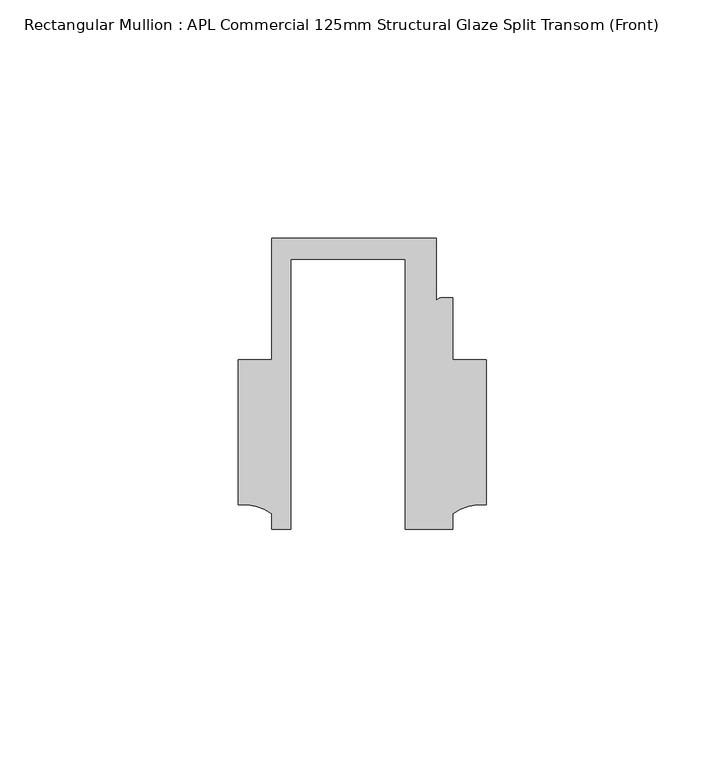
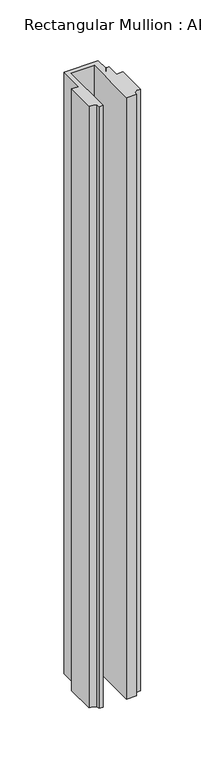
"""IFC4 building model written with IfcOpenShell, lengths in millimetres: member geometry, Rectangular Mullion : APL Commercial 125mm Structural Glaze Split Transom (Front)."""

from ifc_helpers import new_model, si_unit, point, frame, frame_2d, origin, place, context, project, spatial, polyline, circle_curve, trimmed, segment, composite_curve, outline, extrude, source, transform, mapped, element, save


def rectangular_mullion_apl_commercial_125mm_structural_glaze_6d8f510c(model_context):
    return source(origin(), model_context, "Body", "SweptSolid", [
        extrude(outline(composite_curve([segment(polyline([(-24.0309529, -20.5), (-28.0000482, -20.5), (-28.0000482, -17.3123419)]), True, "CONTINUOUS"), segment(trimmed(circle_curve(frame_2d((-34.10985, -25.7980019)), 10.4563907), [point((-28.0000482, -17.3123419))], [point((-34.9999873, -15.3795682))], True, "CARTESIAN"), True, "CONTINUOUS"), segment(polyline([(-34.9999873, -15.3795682), (-34.9999873, 15.001276), (-28.0000482, 15.001276), (-28.0000482, 40.499932), (6.5000029, 40.499932), (6.5000029, 27.0002131)]), True, "CONTINUOUS"), segment(trimmed(circle_curve(frame_2d((7.5000029, 27.0002131)), 1.0), [point((6.5000029, 27.0002131))], [point((7.5000029, 28.0002131))], False, "CARTESIAN"), True, "CONTINUOUS"), segment(polyline([(7.5000029, 28.0002131), (10.0000029, 28.0002131), (10.0000029, 15.0004617), (16.999942, 15.0004617), (16.999942, -15.3793686)]), True, "CONTINUOUS"), segment(trimmed(circle_curve(frame_2d((16.1098048, -25.7978024)), 10.4563907), [point((16.999942, -15.3793686))], [point((10.0000029, -17.3121423))], True, "CARTESIAN"), True, "CONTINUOUS"), segment(polyline([(10.0000029, -17.3121423), (10.0000029, -20.5), (0.0, -20.5), (0.0, 36.1008577), (-24.0309529, 36.1008577), (-24.0309529, -20.5)]), True, "CONTINUOUS")], self_intersect=False)), frame((0.0, 0.0, -641.1423739), z_axis=(0.0, 0.0, 1.0), x_axis=(1.0, 0.0, 0.0)), (0.0, 0.0, 1.0), 641.1423739),
    ])


if __name__ == "__main__":
    model = new_model("IFC4")
    model_context = context("Model", 3, world=origin())
    ifc_project = project(units=[si_unit("LENGTHUNIT", "METRE", prefix="MILLI")], contexts=[model_context])
    site = spatial("IfcSite", under=ifc_project)
    building = spatial("IfcBuilding", under=site)
    placement = place(None, origin())
    rectangular_mullion_apl_commercial_125mm_structural_glaze_shape = rectangular_mullion_apl_commercial_125mm_structural_glaze_6d8f510c(model_context)
    element("IfcMember", 1, ObjectType="Rectangular Mullion : APL Commercial 125mm Structural Glaze Split Transom (Front)", at=placement, inside=building, context=model_context, shape_type="MappedRepresentation", body=[
        mapped(rectangular_mullion_apl_commercial_125mm_structural_glaze_shape, transform((0.0, 0.0, 0.0), x_axis=(1.0, 0.0, 0.0), y_axis=(0.0, 1.0, 0.0), z_axis=(0.0, 0.0, 1.0))),
    ])
    save(model, "model.ifc")
